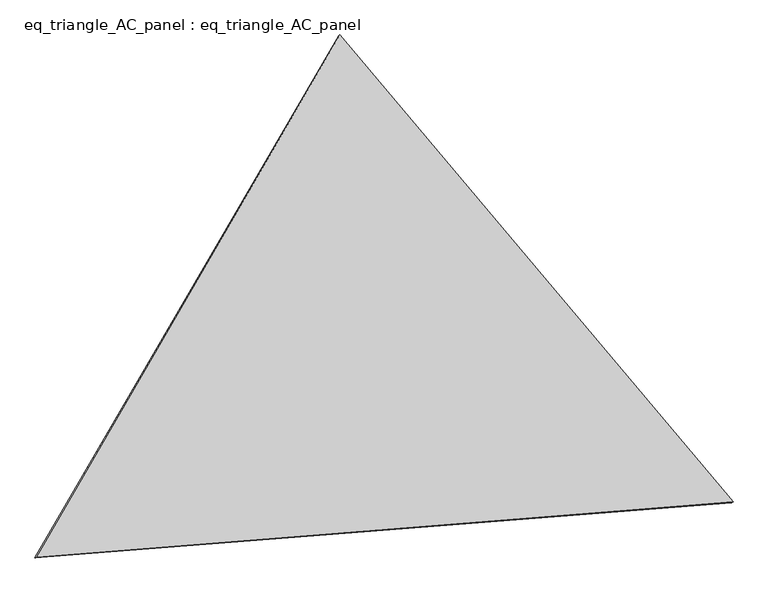
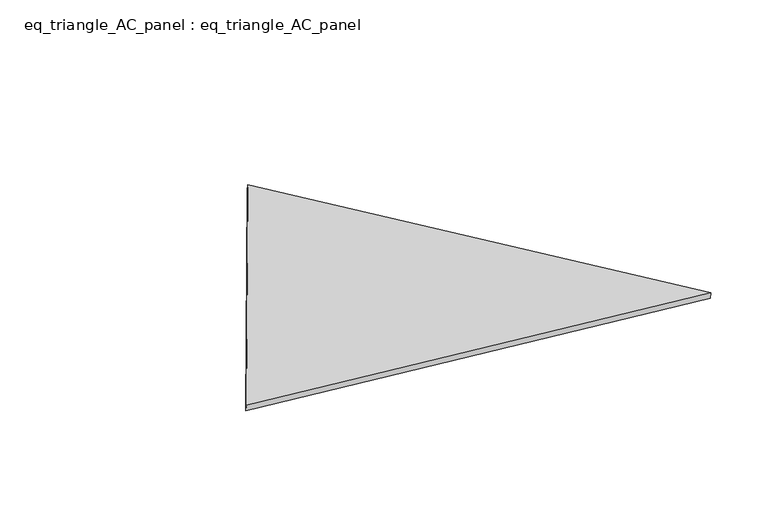
"""IFC4 building model written with IfcOpenShell, lengths in millimetres: proxy geometry, eq_triangle_AC_panel : eq_triangle_AC_panel."""

import ifcopenshell
import ifcopenshell.guid

model = None  # the IFC model being written
_history = None  # IfcOwnerHistory: only IFC2X3 demands one
_inside = {}  # id of a spatial element -> (the spatial element, [elements in it])
_under = {}  # id of a project, library or spatial element -> (it, [spatial elements below it])
_declared = {}  # id of a project -> (the project, [libraries it declares])
_typed = {}  # id of a type object -> (the type object, [elements of that type])
_made_of = {}  # id of a material, layer set ... -> (it, [elements and type objects made of it])


def new_model(schema):
    """Start an empty IFC model of exactly this schema.

    Asked for "IFC4X3", IfcOpenShell would pick the latest addendum, in which some entities
    have other attributes; the version numbers below select the first issue.
    IFC2X3 requires an IfcOwnerHistory on every rooted entity: one is made here for all.
    """
    global model, _history
    if schema == "IFC4X3":
        model = ifcopenshell.file(schema_version=(4, 3, 0, 0))
    else:
        model = ifcopenshell.file(schema=schema)
    _inside.clear()
    _under.clear()
    _declared.clear()
    _typed.clear()
    _made_of.clear()
    _history = None
    if model.schema == "IFC2X3":
        org = make("IfcOrganization", Name="unknown")
        user = make(
            "IfcPersonAndOrganization",
            ThePerson=make("IfcPerson", FamilyName="unknown"),
            TheOrganization=org,
        )
        app = make(
            "IfcApplication",
            ApplicationDeveloper=org,
            Version="unknown",
            ApplicationFullName="unknown",
            ApplicationIdentifier="unknown",
        )
        _history = make(
            "IfcOwnerHistory",
            OwningUser=user,
            OwningApplication=app,
            ChangeAction="ADDED",
            CreationDate=0,
        )
    return model


def make(cls, **values):
    """One entity of the class cls with the attributes given. An attribute that is None is left unset."""
    return model.create_entity(
        cls, **{name: value for name, value in values.items() if value is not None}
    )


def rooted(cls, **values):
    """An entity with a GlobalId (a new one), such as an element, a storey or a relation."""
    return make(cls, GlobalId=ifcopenshell.guid.new(), OwnerHistory=_history, **values)


def si_unit(unit_type, name, prefix=None):
    """IfcSIUnit, for example si_unit("LENGTHUNIT", "METRE", prefix="MILLI")."""
    return make("IfcSIUnit", UnitType=unit_type, Prefix=prefix, Name=name)


def assignment(units):
    """IfcUnitAssignment: the units of a project."""
    return None if units is None else make("IfcUnitAssignment", Units=units)


def point(xyz):
    """IfcCartesianPoint."""
    return None if xyz is None else make("IfcCartesianPoint", Coordinates=xyz)


def direction(xyz):
    """IfcDirection."""
    return None if xyz is None else make("IfcDirection", DirectionRatios=xyz)


def frame(location, z_axis=None, x_axis=None):
    """IfcAxis2Placement3D, a coordinate frame: its origin and axes. An axis left out is left unset."""
    return make(
        "IfcAxis2Placement3D",
        Location=point(location),
        Axis=direction(z_axis),
        RefDirection=direction(x_axis),
    )


def origin():
    """The frame at (0, 0, 0) with its axes left unset."""
    return frame((0.0, 0.0, 0.0))


def place(relative_to, where):
    """IfcLocalPlacement: puts the frame where relative to a parent placement (None: the world)."""
    return make(
        "IfcLocalPlacement", PlacementRelTo=relative_to, RelativePlacement=where
    )


def context(
    kind, dimensions, precision=None, world=None, true_north=None, identifier=None
):
    """IfcGeometricRepresentationContext, for example the 3D "Model" context."""
    return make(
        "IfcGeometricRepresentationContext",
        ContextIdentifier=identifier,
        ContextType=kind,
        CoordinateSpaceDimension=dimensions,
        Precision=precision,
        WorldCoordinateSystem=world,
        TrueNorth=true_north,
    )


def project(units=None, contexts=None):
    """IfcProject with its units and contexts."""
    return rooted(
        "IfcProject",
        Name="project",
        RepresentationContexts=contexts,
        UnitsInContext=assignment(units),
    )


def spatial(cls, under=None, at=None, **own):
    """A site, building, storey or space (cls), placed at a placement, below another one or the project."""
    s = rooted(cls, ObjectPlacement=at, **own)
    if under is not None:
        _under.setdefault(under.id(), (under, []))[1].append(s)
    return s


def polyline(points):
    """IfcPolyline through the points."""
    return make("IfcPolyline", Points=[point(p) for p in points])


def outline(outer, holes=None, kind="AREA"):
    """IfcArbitraryClosedProfileDef: a profile drawn as a closed curve; with holes, ...WithVoids."""
    if holes is None:
        return make("IfcArbitraryClosedProfileDef", ProfileType=kind, OuterCurve=outer)
    return make(
        "IfcArbitraryProfileDefWithVoids",
        ProfileType=kind,
        OuterCurve=outer,
        InnerCurves=holes,
    )


def extrude(swept, where, along, depth):
    """IfcExtrudedAreaSolid: the profile swept, set in the frame where, extruded along a direction by depth."""
    return make(
        "IfcExtrudedAreaSolid",
        SweptArea=swept,
        Position=where,
        ExtrudedDirection=direction(along),
        Depth=depth,
    )


def shape(context_of_items, identifier, shape_type, items):
    """IfcShapeRepresentation: the items that make up one representation, for example the "Body"."""
    return make(
        "IfcShapeRepresentation",
        ContextOfItems=context_of_items,
        RepresentationIdentifier=identifier,
        RepresentationType=shape_type,
        Items=items,
    )


def source(mapping_origin, context_of_items, identifier, shape_type, items):
    """IfcRepresentationMap: a shape defined once, which mapped items show again and again."""
    return make(
        "IfcRepresentationMap",
        MappingOrigin=mapping_origin,
        MappedRepresentation=shape(context_of_items, identifier, shape_type, items),
    )


def transform(
    local_origin,
    x_axis=None,
    y_axis=None,
    z_axis=None,
    scale=None,
    scale2=None,
    scale3=None,
    uniform=True,
):
    """IfcCartesianTransformationOperator3D, or its non-uniform kind. x_axis, y_axis, z_axis: its Axis1, 2, 3."""
    if uniform:
        return make(
            "IfcCartesianTransformationOperator3D",
            Axis1=direction(x_axis),
            Axis2=direction(y_axis),
            LocalOrigin=point(local_origin),
            Scale=scale,
            Axis3=direction(z_axis),
        )
    return make(
        "IfcCartesianTransformationOperator3DnonUniform",
        Axis1=direction(x_axis),
        Axis2=direction(y_axis),
        LocalOrigin=point(local_origin),
        Scale=scale,
        Axis3=direction(z_axis),
        Scale2=scale2,
        Scale3=scale3,
    )


def mapped(mapping_source, mapping_target):
    """IfcMappedItem: shows the shape of a source again, moved by a transform."""
    return make(
        "IfcMappedItem", MappingSource=mapping_source, MappingTarget=mapping_target
    )


def made_of(thing, what):
    """Note that an element or type object is made of a material, layer set ...; save() writes the relation."""
    if what is not None:
        _made_of.setdefault(what.id(), (what, []))[1].append(thing)
    return thing


def element(
    cls,
    number,
    at=None,
    inside=None,
    cuts=None,
    type_object=None,
    material=None,
    context=None,
    identifier="Body",
    shape_type=None,
    held_by="IfcProductDefinitionShape",
    body=None,
    shapes=None,
    **own,
):
    """One element of the class cls, such as IfcWall. Its Tag is "e" and its number.

    at: its placement. inside: the storey or other place that contains it. cuts: it is an
    opening in that element (IfcRelVoidsElement). A single representation is given by context,
    identifier, shape_type and body (its items); several are given by shapes. held_by: the class
    of the entity that holds the representations. save() writes the other relations.
    """
    e = rooted(cls, Tag="e%d" % number, ObjectPlacement=at, **own)
    if body is not None:
        shapes = [shape(context, identifier, shape_type, body)]
    if shapes is not None:
        e.Representation = make(held_by, Representations=shapes)
    if inside is not None:
        _inside.setdefault(inside.id(), (inside, []))[1].append(e)
    if cuts is not None:
        rooted(
            "IfcRelVoidsElement", RelatingBuildingElement=cuts, RelatedOpeningElement=e
        )
    if type_object is not None:
        _typed.setdefault(type_object.id(), (type_object, []))[1].append(e)
    return made_of(e, material)


def aggregate(whole, parts):
    """IfcRelAggregates: a whole, such as a stair, and the parts it consists of."""
    return rooted("IfcRelAggregates", RelatingObject=whole, RelatedObjects=parts)


def save(model, path):
    """Write the relations noted so far, then the file.

    IfcRelAggregates (storeys below a building ...), IfcRelContainedInSpatialStructure (elements
    in a storey), IfcRelDefinesByType, IfcRelAssociatesMaterial and IfcRelDeclares: one each for
    every whole, place, type object, material and project.
    """
    for whole, parts in _under.values():
        aggregate(whole, parts)
    for where, things in _inside.values():
        rooted(
            "IfcRelContainedInSpatialStructure",
            RelatedElements=things,
            RelatingStructure=where,
        )
    for kind, things in _typed.values():
        rooted("IfcRelDefinesByType", RelatedObjects=things, RelatingType=kind)
    for what, things in _made_of.values():
        rooted("IfcRelAssociatesMaterial", RelatedObjects=things, RelatingMaterial=what)
    for by, libraries in _declared.values():
        rooted("IfcRelDeclares", RelatingContext=by, RelatedDefinitions=libraries)
    model.write(path)


def eq_triangle_ac_panel_eq_triangle_ac_panel_5d2b5ca7(model_context):
    return source(origin(), model_context, "Body", "SweptSolid", [
        extrude(outline(polyline([(-1545.5474391, 1096.9651743), (1940.6074491, 1096.9651744), (-395.0600101, -2193.9303489), (-1545.5474391, 1096.9651743)])), frame((-6.3631761, 524.2531996, 46.6143561), z_axis=(0.14526328518069942, 0.08386570281803096, 0.9858321976225713), x_axis=(0.6433900827731048, -0.7649610702372562, -0.029728141729494357)), (0.0, 0.0, 1.0), 43.8306294),
    ])


if __name__ == "__main__":
    model = new_model("IFC4")
    model_context = context("Model", 3, world=origin())
    ifc_project = project(units=[si_unit("LENGTHUNIT", "METRE", prefix="MILLI")], contexts=[model_context])
    site = spatial("IfcSite", under=ifc_project)
    building = spatial("IfcBuilding", under=site)
    placement = place(None, origin())
    eq_triangle_ac_panel_eq_triangle_ac_panel_shape = eq_triangle_ac_panel_eq_triangle_ac_panel_5d2b5ca7(model_context)
    element("IfcBuildingElementProxy", 1, Name="eq_triangle_AC_panel : eq_triangle_AC_panel", ObjectType="eq_triangle_AC_panel : eq_triangle_AC_panel", at=placement, inside=building, context=model_context, shape_type="MappedRepresentation", body=[
        mapped(eq_triangle_ac_panel_eq_triangle_ac_panel_shape, transform((0.0, 0.0, 0.0), x_axis=(1.0, 0.0, 0.0), y_axis=(0.0, 1.0, 0.0), z_axis=(0.0, 0.0, 1.0))),
    ])
    save(model, "model.ifc")
